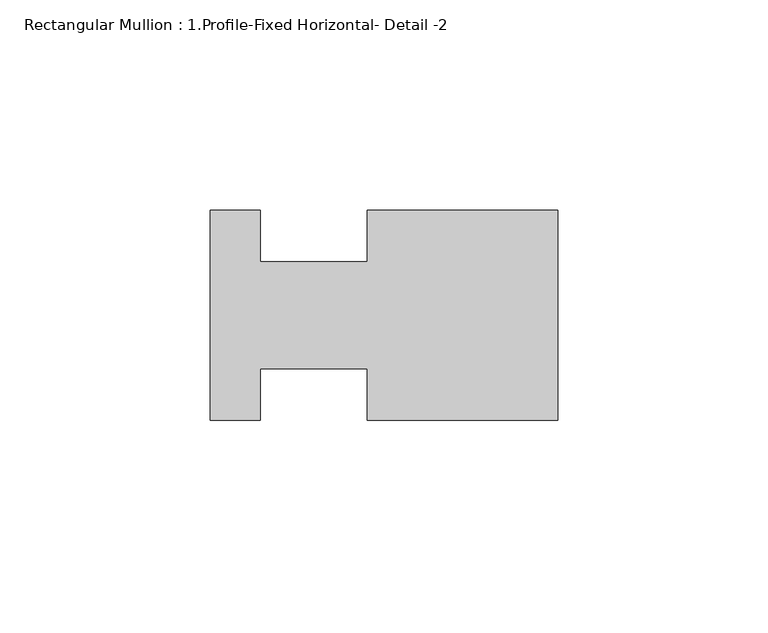
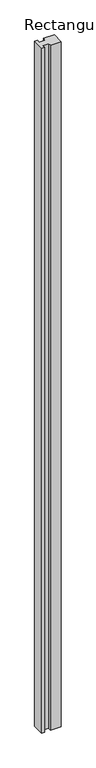
"""IFC4 building model written with IfcOpenShell, lengths in millimetres: member geometry, Rectangular Mullion : 1.Profile-Fixed Horizontal- Detail -2."""

import ifcopenshell
import ifcopenshell.guid

model = None  # the IFC model being written
_history = None  # IfcOwnerHistory: only IFC2X3 demands one
_inside = {}  # id of a spatial element -> (the spatial element, [elements in it])
_under = {}  # id of a project, library or spatial element -> (it, [spatial elements below it])
_declared = {}  # id of a project -> (the project, [libraries it declares])
_typed = {}  # id of a type object -> (the type object, [elements of that type])
_made_of = {}  # id of a material, layer set ... -> (it, [elements and type objects made of it])


def new_model(schema):
    """Start an empty IFC model of exactly this schema.

    Asked for "IFC4X3", IfcOpenShell would pick the latest addendum, in which some entities
    have other attributes; the version numbers below select the first issue.
    IFC2X3 requires an IfcOwnerHistory on every rooted entity: one is made here for all.
    """
    global model, _history
    if schema == "IFC4X3":
        model = ifcopenshell.file(schema_version=(4, 3, 0, 0))
    else:
        model = ifcopenshell.file(schema=schema)
    _inside.clear()
    _under.clear()
    _declared.clear()
    _typed.clear()
    _made_of.clear()
    _history = None
    if model.schema == "IFC2X3":
        org = make("IfcOrganization", Name="unknown")
        user = make(
            "IfcPersonAndOrganization",
            ThePerson=make("IfcPerson", FamilyName="unknown"),
            TheOrganization=org,
        )
        app = make(
            "IfcApplication",
            ApplicationDeveloper=org,
            Version="unknown",
            ApplicationFullName="unknown",
            ApplicationIdentifier="unknown",
        )
        _history = make(
            "IfcOwnerHistory",
            OwningUser=user,
            OwningApplication=app,
            ChangeAction="ADDED",
            CreationDate=0,
        )
    return model


def make(cls, **values):
    """One entity of the class cls with the attributes given. An attribute that is None is left unset."""
    return model.create_entity(
        cls, **{name: value for name, value in values.items() if value is not None}
    )


def rooted(cls, **values):
    """An entity with a GlobalId (a new one), such as an element, a storey or a relation."""
    return make(cls, GlobalId=ifcopenshell.guid.new(), OwnerHistory=_history, **values)


def si_unit(unit_type, name, prefix=None):
    """IfcSIUnit, for example si_unit("LENGTHUNIT", "METRE", prefix="MILLI")."""
    return make("IfcSIUnit", UnitType=unit_type, Prefix=prefix, Name=name)


def assignment(units):
    """IfcUnitAssignment: the units of a project."""
    return None if units is None else make("IfcUnitAssignment", Units=units)


def point(xyz):
    """IfcCartesianPoint."""
    return None if xyz is None else make("IfcCartesianPoint", Coordinates=xyz)


def direction(xyz):
    """IfcDirection."""
    return None if xyz is None else make("IfcDirection", DirectionRatios=xyz)


def frame(location, z_axis=None, x_axis=None):
    """IfcAxis2Placement3D, a coordinate frame: its origin and axes. An axis left out is left unset."""
    return make(
        "IfcAxis2Placement3D",
        Location=point(location),
        Axis=direction(z_axis),
        RefDirection=direction(x_axis),
    )


def origin():
    """The frame at (0, 0, 0) with its axes left unset."""
    return frame((0.0, 0.0, 0.0))


def place(relative_to, where):
    """IfcLocalPlacement: puts the frame where relative to a parent placement (None: the world)."""
    return make(
        "IfcLocalPlacement", PlacementRelTo=relative_to, RelativePlacement=where
    )


def context(
    kind, dimensions, precision=None, world=None, true_north=None, identifier=None
):
    """IfcGeometricRepresentationContext, for example the 3D "Model" context."""
    return make(
        "IfcGeometricRepresentationContext",
        ContextIdentifier=identifier,
        ContextType=kind,
        CoordinateSpaceDimension=dimensions,
        Precision=precision,
        WorldCoordinateSystem=world,
        TrueNorth=true_north,
    )


def project(units=None, contexts=None):
    """IfcProject with its units and contexts."""
    return rooted(
        "IfcProject",
        Name="project",
        RepresentationContexts=contexts,
        UnitsInContext=assignment(units),
    )


def spatial(cls, under=None, at=None, **own):
    """A site, building, storey or space (cls), placed at a placement, below another one or the project."""
    s = rooted(cls, ObjectPlacement=at, **own)
    if under is not None:
        _under.setdefault(under.id(), (under, []))[1].append(s)
    return s


def polyline(points):
    """IfcPolyline through the points."""
    return make("IfcPolyline", Points=[point(p) for p in points])


def outline(outer, holes=None, kind="AREA"):
    """IfcArbitraryClosedProfileDef: a profile drawn as a closed curve; with holes, ...WithVoids."""
    if holes is None:
        return make("IfcArbitraryClosedProfileDef", ProfileType=kind, OuterCurve=outer)
    return make(
        "IfcArbitraryProfileDefWithVoids",
        ProfileType=kind,
        OuterCurve=outer,
        InnerCurves=holes,
    )


def extrude(swept, where, along, depth):
    """IfcExtrudedAreaSolid: the profile swept, set in the frame where, extruded along a direction by depth."""
    return make(
        "IfcExtrudedAreaSolid",
        SweptArea=swept,
        Position=where,
        ExtrudedDirection=direction(along),
        Depth=depth,
    )


def shape(context_of_items, identifier, shape_type, items):
    """IfcShapeRepresentation: the items that make up one representation, for example the "Body"."""
    return make(
        "IfcShapeRepresentation",
        ContextOfItems=context_of_items,
        RepresentationIdentifier=identifier,
        RepresentationType=shape_type,
        Items=items,
    )


def source(mapping_origin, context_of_items, identifier, shape_type, items):
    """IfcRepresentationMap: a shape defined once, which mapped items show again and again."""
    return make(
        "IfcRepresentationMap",
        MappingOrigin=mapping_origin,
        MappedRepresentation=shape(context_of_items, identifier, shape_type, items),
    )


def transform(
    local_origin,
    x_axis=None,
    y_axis=None,
    z_axis=None,
    scale=None,
    scale2=None,
    scale3=None,
    uniform=True,
):
    """IfcCartesianTransformationOperator3D, or its non-uniform kind. x_axis, y_axis, z_axis: its Axis1, 2, 3."""
    if uniform:
        return make(
            "IfcCartesianTransformationOperator3D",
            Axis1=direction(x_axis),
            Axis2=direction(y_axis),
            LocalOrigin=point(local_origin),
            Scale=scale,
            Axis3=direction(z_axis),
        )
    return make(
        "IfcCartesianTransformationOperator3DnonUniform",
        Axis1=direction(x_axis),
        Axis2=direction(y_axis),
        LocalOrigin=point(local_origin),
        Scale=scale,
        Axis3=direction(z_axis),
        Scale2=scale2,
        Scale3=scale3,
    )


def mapped(mapping_source, mapping_target):
    """IfcMappedItem: shows the shape of a source again, moved by a transform."""
    return make(
        "IfcMappedItem", MappingSource=mapping_source, MappingTarget=mapping_target
    )


def made_of(thing, what):
    """Note that an element or type object is made of a material, layer set ...; save() writes the relation."""
    if what is not None:
        _made_of.setdefault(what.id(), (what, []))[1].append(thing)
    return thing


def element(
    cls,
    number,
    at=None,
    inside=None,
    cuts=None,
    type_object=None,
    material=None,
    context=None,
    identifier="Body",
    shape_type=None,
    held_by="IfcProductDefinitionShape",
    body=None,
    shapes=None,
    **own,
):
    """One element of the class cls, such as IfcWall. Its Tag is "e" and its number.

    at: its placement. inside: the storey or other place that contains it. cuts: it is an
    opening in that element (IfcRelVoidsElement). A single representation is given by context,
    identifier, shape_type and body (its items); several are given by shapes. held_by: the class
    of the entity that holds the representations. save() writes the other relations.
    """
    e = rooted(cls, Tag="e%d" % number, ObjectPlacement=at, **own)
    if body is not None:
        shapes = [shape(context, identifier, shape_type, body)]
    if shapes is not None:
        e.Representation = make(held_by, Representations=shapes)
    if inside is not None:
        _inside.setdefault(inside.id(), (inside, []))[1].append(e)
    if cuts is not None:
        rooted(
            "IfcRelVoidsElement", RelatingBuildingElement=cuts, RelatedOpeningElement=e
        )
    if type_object is not None:
        _typed.setdefault(type_object.id(), (type_object, []))[1].append(e)
    return made_of(e, material)


def aggregate(whole, parts):
    """IfcRelAggregates: a whole, such as a stair, and the parts it consists of."""
    return rooted("IfcRelAggregates", RelatingObject=whole, RelatedObjects=parts)


def save(model, path):
    """Write the relations noted so far, then the file.

    IfcRelAggregates (storeys below a building ...), IfcRelContainedInSpatialStructure (elements
    in a storey), IfcRelDefinesByType, IfcRelAssociatesMaterial and IfcRelDeclares: one each for
    every whole, place, type object, material and project.
    """
    for whole, parts in _under.values():
        aggregate(whole, parts)
    for where, things in _inside.values():
        rooted(
            "IfcRelContainedInSpatialStructure",
            RelatedElements=things,
            RelatingStructure=where,
        )
    for kind, things in _typed.values():
        rooted("IfcRelDefinesByType", RelatedObjects=things, RelatingType=kind)
    for what, things in _made_of.values():
        rooted("IfcRelAssociatesMaterial", RelatedObjects=things, RelatingMaterial=what)
    for by, libraries in _declared.values():
        rooted("IfcRelDeclares", RelatingContext=by, RelatedDefinitions=libraries)
    model.write(path)


def rectangular_mullion_1_profile_fixed_horizontal_detail_2_63aabcb6(model_context):
    return source(origin(), model_context, "Body", "SweptSolid", [
        extrude(outline(polyline([(-82.55, -24.7967197), (-82.55, 25.0380803), (-70.7136, 25.0380803), (-70.7136, 12.8206803), (-45.3136, 12.8206803), (-45.3136, 25.0380803), (0.0, 25.0380803), (0.0, -24.7967197), (-45.3136, -24.7967197), (-45.3136, -12.5793197), (-70.7136, -12.5793197), (-70.7136, -24.7967197), (-82.55, -24.7967197)])), frame((0.0, 0.0, -3048.0), z_axis=(0.0, 0.0, 1.0), x_axis=(1.0, 0.0, 0.0)), (0.0, 0.0, 1.0), 3048.0),
    ])


if __name__ == "__main__":
    model = new_model("IFC4")
    model_context = context("Model", 3, world=origin())
    ifc_project = project(units=[si_unit("LENGTHUNIT", "METRE", prefix="MILLI")], contexts=[model_context])
    site = spatial("IfcSite", under=ifc_project)
    building = spatial("IfcBuilding", under=site)
    placement = place(None, origin())
    rectangular_mullion_1_profile_fixed_horizontal_detail_2_shape = rectangular_mullion_1_profile_fixed_horizontal_detail_2_63aabcb6(model_context)
    element("IfcMember", 1, ObjectType="Rectangular Mullion : 1.Profile-Fixed Horizontal- Detail -2", at=placement, inside=building, context=model_context, shape_type="MappedRepresentation", body=[
        mapped(rectangular_mullion_1_profile_fixed_horizontal_detail_2_shape, transform((0.0, 0.0, 0.0), x_axis=(1.0, 0.0, 0.0), y_axis=(0.0, 1.0, 0.0), z_axis=(0.0, 0.0, 1.0))),
    ])
    save(model, "model.ifc")
